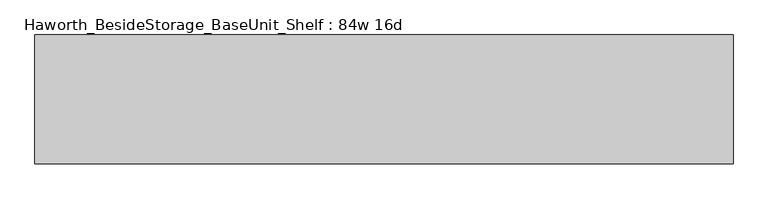
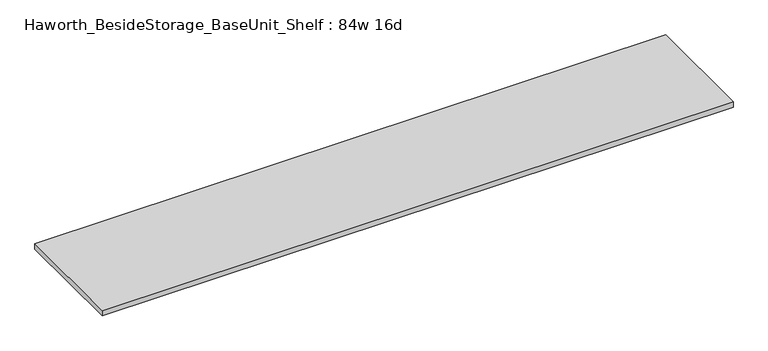
"""IFC4 building model written with IfcOpenShell, lengths in millimetres: furniture geometry, Haworth_BesideStorage_BaseUnit_Shelf : 84w 16d."""

from ifc_helpers import new_model, si_unit, frame, origin, place, context, project, spatial, polyline, outline, extrude, source, transform, mapped, element, save


def haworth_besidestorage_baseunit_shelf_84w_16d_1ba9b7aa(model_context):
    return source(origin(), model_context, "Body", "SweptSolid", [
        extrude(outline(polyline([(1066.8, 196.85), (1066.8, -196.85), (-1066.8, -196.85), (-1066.8, 196.85), (1066.8, 196.85)])), frame((0.0, 0.0, 277.8125), z_axis=(0.0, 0.0, 1.0), x_axis=(1.0, 0.0, 0.0)), (0.0, 0.0, 1.0), 19.05),
    ])


if __name__ == "__main__":
    model = new_model("IFC4")
    model_context = context("Model", 3, world=origin())
    ifc_project = project(units=[si_unit("LENGTHUNIT", "METRE", prefix="MILLI")], contexts=[model_context])
    site = spatial("IfcSite", under=ifc_project)
    building = spatial("IfcBuilding", under=site)
    placement = place(None, origin())
    haworth_besidestorage_baseunit_shelf_84w_16d_shape = haworth_besidestorage_baseunit_shelf_84w_16d_1ba9b7aa(model_context)
    element("IfcFurniture", 1, ObjectType="Haworth_BesideStorage_BaseUnit_Shelf : 84w 16d", at=placement, inside=building, context=model_context, shape_type="MappedRepresentation", body=[
        mapped(haworth_besidestorage_baseunit_shelf_84w_16d_shape, transform((0.0, 0.0, 0.0), x_axis=(1.0, 0.0, 0.0), y_axis=(0.0, 1.0, 0.0), z_axis=(0.0, 0.0, 1.0))),
    ])
    save(model, "model.ifc")
